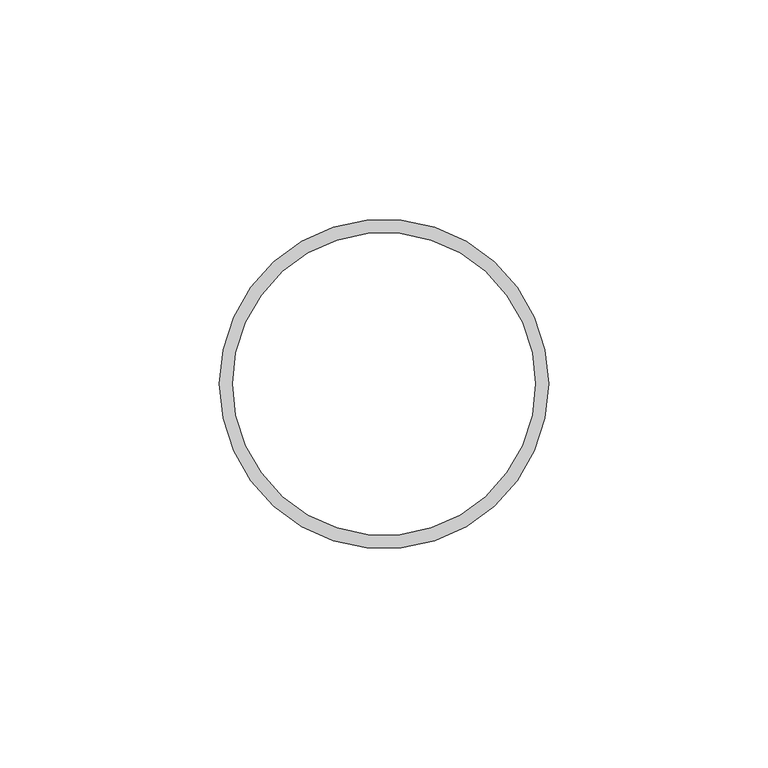
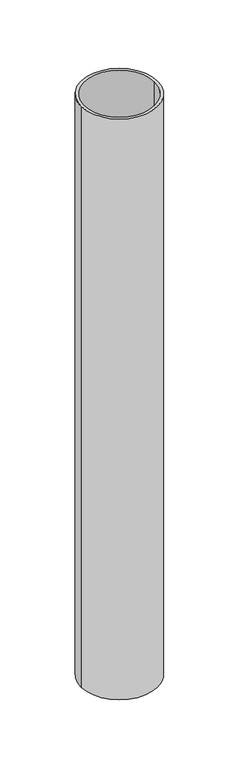
"""IFC4 building model written with IfcOpenShell, lengths in millimetres: beam geometry."""

from ifc_helpers import new_model, si_unit, point, frame, origin, origin_2d, place, context, project, spatial, circle_curve, trimmed, segment, composite_curve, outline, extrude, source, transform, mapped, element, save


def beam_b78469e3(model_context):
    return source(origin(), model_context, "Body", "SweptSolid", [
        extrude(outline(composite_curve([segment(trimmed(circle_curve(origin_2d(), 37.5), [point((37.5, 0.0))], [point((-37.5, 0.0))], False, "CARTESIAN"), True, "CONTINUOUS"), segment(trimmed(circle_curve(origin_2d(), 37.5), [point((-37.5, 0.0))], [point((37.5, 0.0))], False, "CARTESIAN"), True, "CONTINUOUS")], self_intersect=False), holes=[composite_curve([segment(trimmed(circle_curve(origin_2d(), 34.5), [point((34.5, 0.0))], [point((-34.5, 0.0))], True, "CARTESIAN"), True, "CONTINUOUS"), segment(trimmed(circle_curve(origin_2d(), 34.5), [point((-34.5, 0.0))], [point((34.5, 0.0))], True, "CARTESIAN"), True, "CONTINUOUS")], self_intersect=False)]), frame((0.0, 0.0, -600.0), z_axis=(0.0, 0.0, 1.0), x_axis=(1.0, 0.0, 0.0)), (0.0, 0.0, 1.0), 600.0),
    ])


if __name__ == "__main__":
    model = new_model("IFC4")
    model_context = context("Model", 3, world=origin())
    ifc_project = project(units=[si_unit("LENGTHUNIT", "METRE", prefix="MILLI")], contexts=[model_context])
    site = spatial("IfcSite", under=ifc_project)
    building = spatial("IfcBuilding", under=site)
    placement = place(None, origin())
    beam_shape = beam_b78469e3(model_context)
    element("IfcBeam", 1, at=placement, inside=building, context=model_context, shape_type="MappedRepresentation", body=[
        mapped(beam_shape, transform((0.0, 0.0, 0.0), x_axis=(1.0, 0.0, 0.0), y_axis=(0.0, 1.0, 0.0), z_axis=(0.0, 0.0, 1.0))),
    ])
    save(model, "model.ifc")
